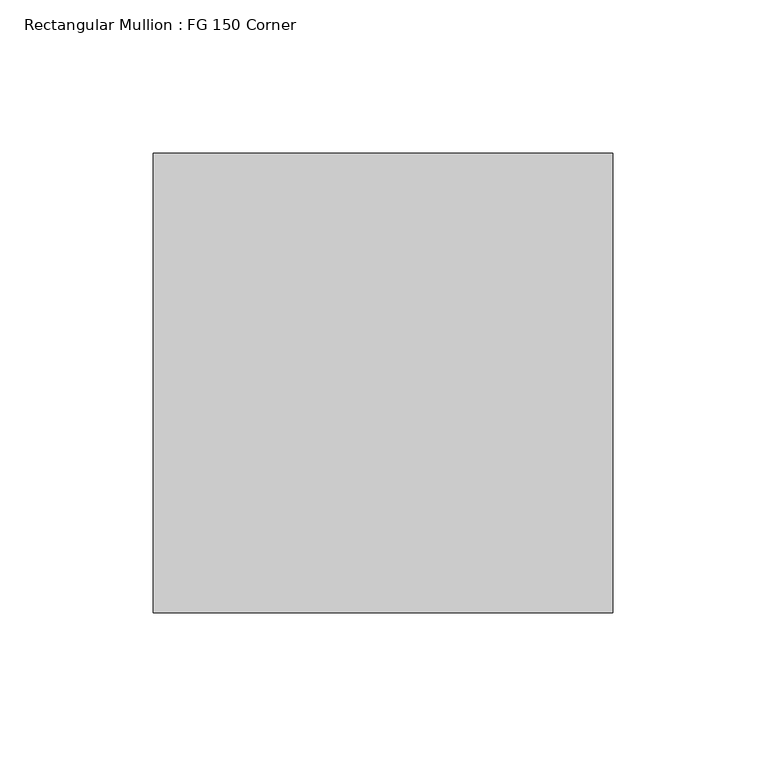
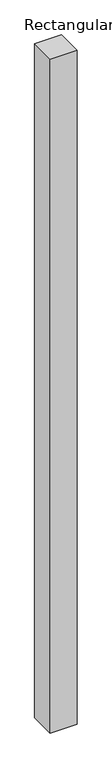
"""IFC4 building model written with IfcOpenShell, lengths in millimetres: member geometry, Rectangular Mullion : FG 150 Corner."""

from ifc_helpers import new_model, si_unit, frame, origin, place, context, project, spatial, polyline, outline, extrude, source, transform, mapped, element, save


def rectangular_mullion_fg_150_corner_a5ed7eb4(model_context):
    return source(origin(), model_context, "Body", "SweptSolid", [
        extrude(outline(polyline([(0.0, 75.0), (0.0, -75.0), (-150.0, -75.0), (-150.0, 75.0), (0.0, 75.0)])), frame((0.0, 0.0, -3995.0), z_axis=(0.0, 0.0, 1.0), x_axis=(1.0, 0.0, 0.0)), (0.0, 0.0, 1.0), 3995.0),
    ])


if __name__ == "__main__":
    model = new_model("IFC4")
    model_context = context("Model", 3, world=origin())
    ifc_project = project(units=[si_unit("LENGTHUNIT", "METRE", prefix="MILLI")], contexts=[model_context])
    site = spatial("IfcSite", under=ifc_project)
    building = spatial("IfcBuilding", under=site)
    placement = place(None, origin())
    rectangular_mullion_fg_150_corner_shape = rectangular_mullion_fg_150_corner_a5ed7eb4(model_context)
    element("IfcMember", 1, ObjectType="Rectangular Mullion : FG 150 Corner", at=placement, inside=building, context=model_context, shape_type="MappedRepresentation", body=[
        mapped(rectangular_mullion_fg_150_corner_shape, transform((0.0, 0.0, 0.0), x_axis=(1.0, 0.0, 0.0), y_axis=(0.0, 1.0, 0.0), z_axis=(0.0, 0.0, 1.0))),
    ])
    save(model, "model.ifc")
